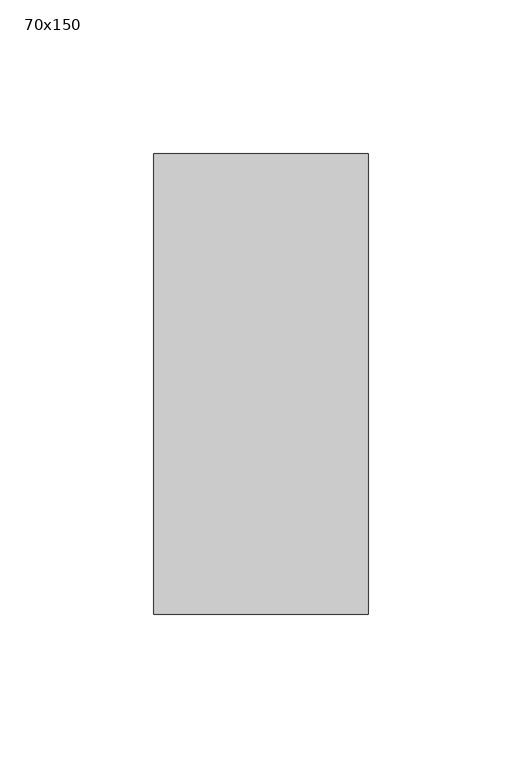
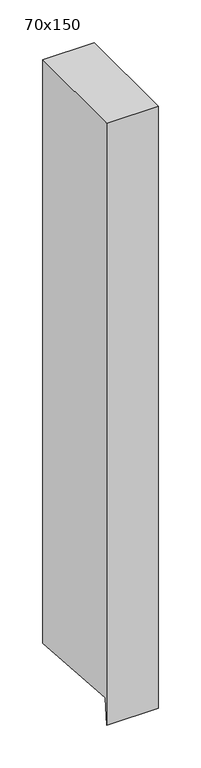
"""IFC4 building model written with IfcOpenShell, lengths in millimetres: member geometry, 70x150."""

from ifc_helpers import new_model, si_unit, frame, origin, place, context, project, spatial, polyline, outline, extrude, source, transform, mapped, element, save


def member_70x150_151b7a31(model_context):
    return source(origin(), model_context, "Body", "SweptSolid", [
        extrude(outline(polyline([(-75.0, 0.0), (75.0, 0.0), (75.0, -835.6402638), (-72.1089919, -824.376198), (-75.0, -862.1328391), (-75.0, 0.0)])), frame((-70.0, 0.0, 0.0), z_axis=(1.0, 0.0, 0.0), x_axis=(0.0, 1.0, 0.0)), (0.0, 0.0, 1.0), 70.0),
    ])


if __name__ == "__main__":
    model = new_model("IFC4")
    model_context = context("Model", 3, world=origin())
    ifc_project = project(units=[si_unit("LENGTHUNIT", "METRE", prefix="MILLI")], contexts=[model_context])
    site = spatial("IfcSite", under=ifc_project)
    building = spatial("IfcBuilding", under=site)
    placement = place(None, origin())
    member_70x150_shape = member_70x150_151b7a31(model_context)
    element("IfcMember", 1, ObjectType="70x150", at=placement, inside=building, context=model_context, shape_type="MappedRepresentation", body=[
        mapped(member_70x150_shape, transform((0.0, 0.0, 0.0), x_axis=(1.0, 0.0, 0.0), y_axis=(0.0, 1.0, 0.0), z_axis=(0.0, 0.0, 1.0))),
    ])
    save(model, "model.ifc")
